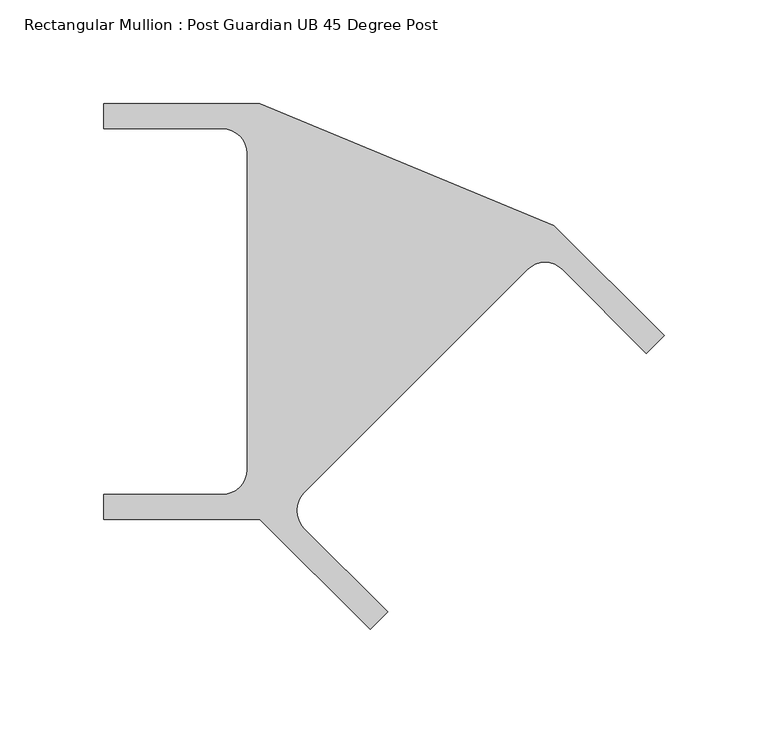
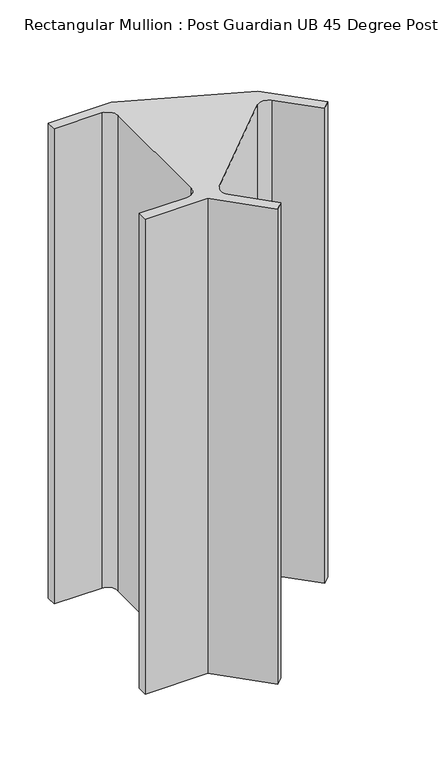
"""IFC4 building model written with IfcOpenShell, lengths in millimetres: member geometry, Rectangular Mullion : Post Guardian UB 45 Degree Post."""

from ifc_helpers import new_model, si_unit, point, frame, frame_2d, origin, place, context, project, spatial, polyline, circle_curve, trimmed, segment, composite_curve, outline, extrude, source, transform, mapped, element, save


def rectangular_mullion_post_guardian_ub_45_degree_post_7b4099b3(model_context):
    return source(origin(), model_context, "Body", "SweptSolid", [
        extrude(outline(composite_curve([segment(polyline([(-200.4543648, -76.000009), (-200.4543648, 76.000009)]), True, "CONTINUOUS"), segment(trimmed(circle_curve(frame_2d((-212.4543559, 76.000009)), 11.999991), [point((-200.4543648, 76.000009))], [point((-212.4543559, 88.0))], True, "CARTESIAN"), True, "CONTINUOUS"), segment(polyline([(-212.4543559, 88.0), (-269.4543648, 88.0), (-269.4543648, 100.0), (-194.4543648, 100.0), (-53.0330086, 41.4213562), (0.0, -11.6116524), (-8.4852814, -20.0969337), (-48.7903742, 20.2081591)]), True, "CONTINUOUS"), segment(trimmed(circle_curve(frame_2d((-57.2756493, 11.7228841)), 11.999991), [point((-48.7903742, 20.2081591))], [point((-65.7609243, 20.2081591))], True, "CARTESIAN"), True, "CONTINUOUS"), segment(polyline([(-65.7609243, 20.2081591), (-173.2411677, -87.2720843)]), True, "CONTINUOUS"), segment(trimmed(circle_curve(frame_2d((-164.7558927, -95.7573593)), 11.999991), [point((-173.2411677, -87.2720843))], [point((-173.2411677, -104.2426343))], True, "CARTESIAN"), True, "CONTINUOUS"), segment(polyline([(-173.2411677, -104.2426343), (-132.9360749, -144.5477272), (-141.4213562, -153.0330086), (-194.4543648, -100.0), (-269.4543648, -100.0), (-269.4543648, -88.0), (-212.4543559, -88.0)]), True, "CONTINUOUS"), segment(trimmed(circle_curve(frame_2d((-212.4543559, -76.000009)), 11.999991), [point((-212.4543559, -88.0))], [point((-200.4543648, -76.000009))], True, "CARTESIAN"), True, "CONTINUOUS")], self_intersect=False)), frame((0.0, 0.0, -600.0), z_axis=(0.0, 0.0, 1.0), x_axis=(1.0, 0.0, 0.0)), (0.0, 0.0, 1.0), 600.0),
    ])


if __name__ == "__main__":
    model = new_model("IFC4")
    model_context = context("Model", 3, world=origin())
    ifc_project = project(units=[si_unit("LENGTHUNIT", "METRE", prefix="MILLI")], contexts=[model_context])
    site = spatial("IfcSite", under=ifc_project)
    building = spatial("IfcBuilding", under=site)
    placement = place(None, origin())
    rectangular_mullion_post_guardian_ub_45_degree_post_shape = rectangular_mullion_post_guardian_ub_45_degree_post_7b4099b3(model_context)
    element("IfcMember", 1, ObjectType="Rectangular Mullion : Post Guardian UB 45 Degree Post", at=placement, inside=building, context=model_context, shape_type="MappedRepresentation", body=[
        mapped(rectangular_mullion_post_guardian_ub_45_degree_post_shape, transform((0.0, 0.0, 0.0), x_axis=(1.0, 0.0, 0.0), y_axis=(0.0, 1.0, 0.0), z_axis=(0.0, 0.0, 1.0))),
    ])
    save(model, "model.ifc")
